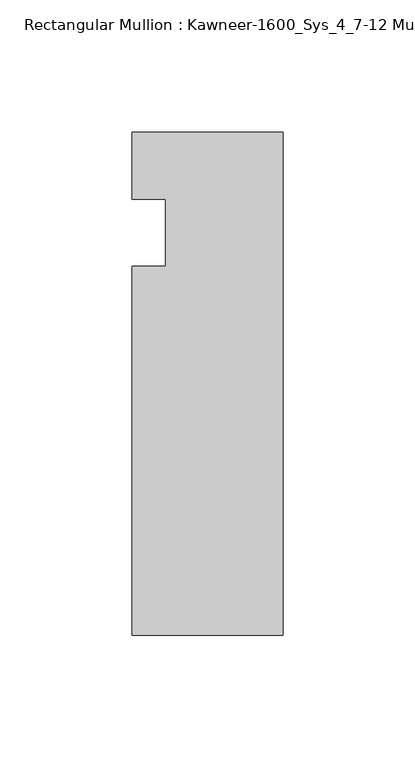
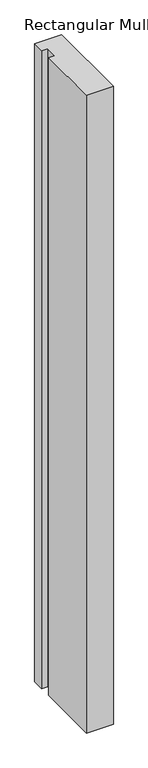
"""IFC4 building model written with IfcOpenShell, lengths in millimetres: member geometry, Rectangular Mullion : Kawneer-1600_Sys_4_7-12 Mullion_Head."""

from ifc_helpers import new_model, si_unit, frame, origin, place, context, project, spatial, polyline, outline, extrude, source, transform, mapped, element, save


def rectangular_mullion_kawneer_1600_sys_4_7_12_mullion_head_2ae5d694(model_context):
    return source(origin(), model_context, "Body", "SweptSolid", [
        extrude(outline(polyline([(-57.15, -152.4), (-57.15, -12.7), (-44.4482296, -12.7), (-44.4482296, 12.7), (-57.15, 12.7), (-57.15, 38.1), (0.0, 38.1), (0.0, -152.4), (-57.15, -152.4)])), frame((0.0, 0.0, -1433.9405973), z_axis=(0.0, 0.0, 1.0), x_axis=(1.0, 0.0, 0.0)), (0.0, 0.0, 1.0), 1433.9405973),
    ])


if __name__ == "__main__":
    model = new_model("IFC4")
    model_context = context("Model", 3, world=origin())
    ifc_project = project(units=[si_unit("LENGTHUNIT", "METRE", prefix="MILLI")], contexts=[model_context])
    site = spatial("IfcSite", under=ifc_project)
    building = spatial("IfcBuilding", under=site)
    placement = place(None, origin())
    rectangular_mullion_kawneer_1600_sys_4_7_12_mullion_head_shape = rectangular_mullion_kawneer_1600_sys_4_7_12_mullion_head_2ae5d694(model_context)
    element("IfcMember", 1, ObjectType="Rectangular Mullion : Kawneer-1600_Sys_4_7-12 Mullion_Head", at=placement, inside=building, context=model_context, shape_type="MappedRepresentation", body=[
        mapped(rectangular_mullion_kawneer_1600_sys_4_7_12_mullion_head_shape, transform((0.0, 0.0, 0.0), x_axis=(1.0, 0.0, 0.0), y_axis=(0.0, 1.0, 0.0), z_axis=(0.0, 0.0, 1.0))),
    ])
    save(model, "model.ifc")
